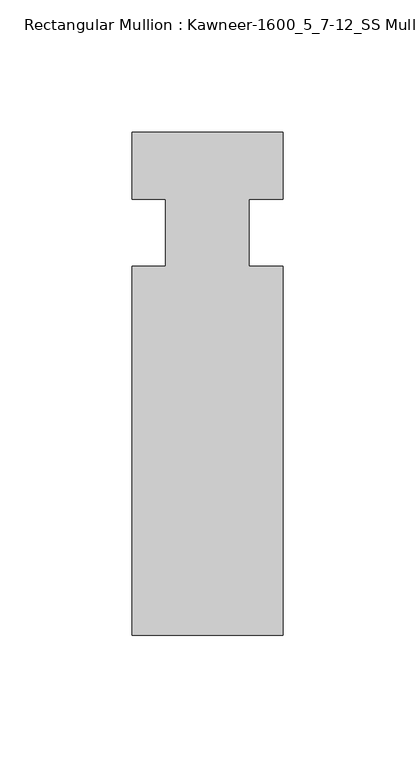
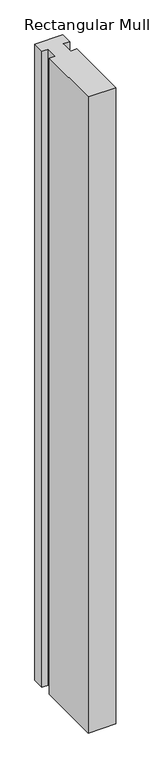
"""IFC4 building model written with IfcOpenShell, lengths in millimetres: member geometry, Rectangular Mullion : Kawneer-1600_5_7-12_SS Mullion_Horizontal."""

from ifc_helpers import new_model, si_unit, frame, origin, place, context, project, spatial, polyline, outline, extrude, source, transform, mapped, element, save


def rectangular_mullion_kawneer_1600_5_7_12_ss_mullion_60f39472(model_context):
    return source(origin(), model_context, "Body", "SweptSolid", [
        extrude(outline(polyline([(32.9094027, -152.4), (-24.2405973, -152.4), (-24.2405973, -12.7), (-11.5405973, -12.7), (-11.5405973, 12.7), (-24.2405973, 12.7), (-24.2405973, 38.1), (32.9094027, 38.1), (32.9094027, 12.7), (20.2076322, 12.7), (20.2076322, -12.7), (32.9094027, -12.7), (32.9094027, -152.4)])), frame((0.0, 0.0, -1391.8094027), z_axis=(0.0, 0.0, 1.0), x_axis=(1.0, 0.0, 0.0)), (0.0, 0.0, 1.0), 1391.8094027),
    ])


if __name__ == "__main__":
    model = new_model("IFC4")
    model_context = context("Model", 3, world=origin())
    ifc_project = project(units=[si_unit("LENGTHUNIT", "METRE", prefix="MILLI")], contexts=[model_context])
    site = spatial("IfcSite", under=ifc_project)
    building = spatial("IfcBuilding", under=site)
    placement = place(None, origin())
    rectangular_mullion_kawneer_1600_5_7_12_ss_mullion_shape = rectangular_mullion_kawneer_1600_5_7_12_ss_mullion_60f39472(model_context)
    element("IfcMember", 1, ObjectType="Rectangular Mullion : Kawneer-1600_5_7-12_SS Mullion_Horizontal", at=placement, inside=building, context=model_context, shape_type="MappedRepresentation", body=[
        mapped(rectangular_mullion_kawneer_1600_5_7_12_ss_mullion_shape, transform((0.0, 0.0, 0.0), x_axis=(1.0, 0.0, 0.0), y_axis=(0.0, 1.0, 0.0), z_axis=(0.0, 0.0, 1.0))),
    ])
    save(model, "model.ifc")
